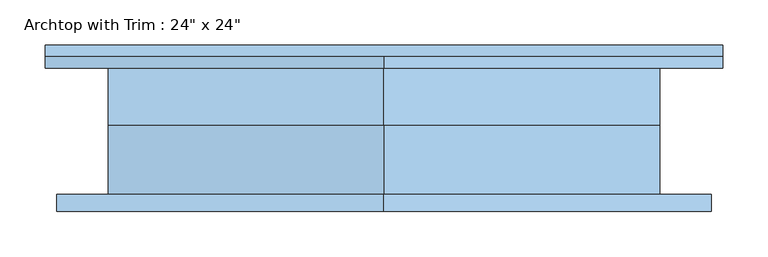
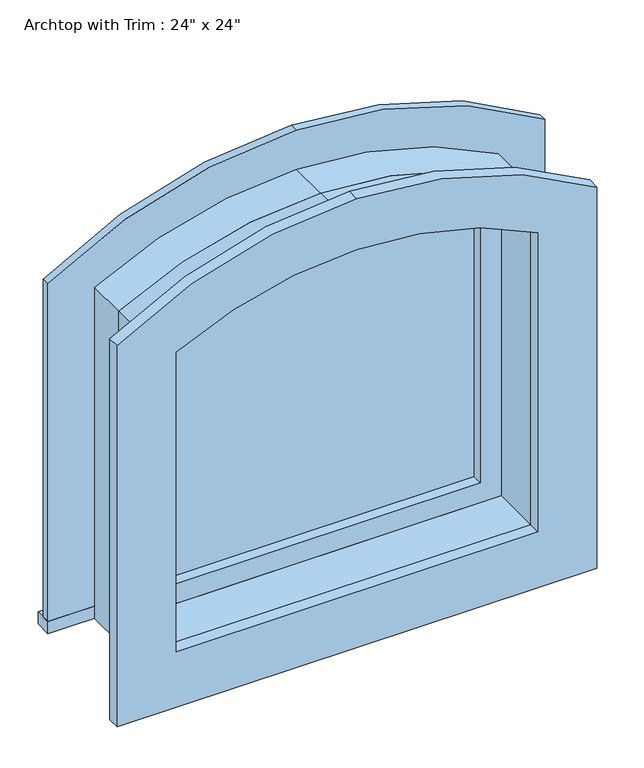
"""IFC4 building model written with IfcOpenShell, lengths in millimetres: window geometry."""

from ifc_helpers import new_model, si_unit, point, frame, frame_2d, origin, place, context, project, spatial, polyline, circle_curve, trimmed, segment, composite_curve, outline, extrude, source, transform, mapped, element, save


def window_a23963e3(model_context):
    return source(origin(), model_context, "Body", "SweptSolid", [
        extrude(outline(composite_curve([segment(polyline([(946.15, 297.730298), (1431.2135447, 297.730298)]), True, "CONTINUOUS"), segment(trimmed(circle_curve(frame_2d((914.4, 11.980298)), 590.55), [point((1431.2135447, 297.730298))], [point((1504.95, 11.980298))], False, "CARTESIAN"), True, "CONTINUOUS"), segment(trimmed(circle_curve(frame_2d((914.4, 11.980298)), 590.55), [point((1504.95, 11.980298))], [point((1431.2135448, -273.7697019))], False, "CARTESIAN"), True, "CONTINUOUS"), segment(polyline([(1431.2135448, -273.7697019), (946.15, -273.7697019), (946.15, 297.730298)]), True, "CONTINUOUS")], self_intersect=False), holes=[composite_curve([segment(polyline([(977.9, 253.280298), (977.9, -229.319702), (1407.8342262, -229.319702)]), True, "CONTINUOUS"), segment(trimmed(circle_curve(frame_2d((914.4, 11.980298)), 549.275), [point((1407.8342262, -229.319702))], [point((1463.675, 11.980298))], True, "CARTESIAN"), True, "CONTINUOUS"), segment(trimmed(circle_curve(frame_2d((914.4, 11.980298)), 549.275), [point((1463.675, 11.980298))], [point((1407.8342262, 253.280298))], True, "CARTESIAN"), True, "CONTINUOUS"), segment(polyline([(1407.8342262, 253.280298), (977.9, 253.280298)]), True, "CONTINUOUS")], self_intersect=False)]), frame((0.0, 6.35, 0.0), z_axis=(0.0, 1.0, 0.0), x_axis=(0.0, 0.0, 1.0)), (0.0, 0.0, 1.0), 44.45),
        extrude(outline(polyline([(-362.6697019, 95.25), (386.630298, 95.25), (386.630298, 69.85), (-362.6697019, 69.85), (-362.6697019, 95.25)])), frame((0.0, 0.0, 914.4), z_axis=(0.0, 0.0, 1.0), x_axis=(1.0, 0.0, 0.0)), (0.0, 0.0, 1.0), 19.05),
        extrude(outline(composite_curve([segment(polyline([(933.45, 297.7302979), (933.45, 386.630298), (1472.3420964, 386.630298)]), True, "CONTINUOUS"), segment(trimmed(circle_curve(frame_2d((914.4, 11.980298)), 672.0580373), [point((1472.3420964, 386.630298))], [point((1586.4580373, 11.980298))], False, "CARTESIAN"), True, "CONTINUOUS"), segment(trimmed(circle_curve(frame_2d((914.4, 11.980298)), 672.0580373), [point((1586.4580373, 11.980298))], [point((1472.3420965, -362.6697019))], False, "CARTESIAN"), True, "CONTINUOUS"), segment(polyline([(1472.3420965, -362.6697019), (933.45, -362.6697019), (933.45, -273.7697019), (1431.2135447, -273.7697019)]), True, "CONTINUOUS"), segment(trimmed(circle_curve(frame_2d((914.4, 11.980298)), 590.55), [point((1431.2135447, -273.7697019))], [point((1504.95, 11.980298))], True, "CARTESIAN"), True, "CONTINUOUS"), segment(trimmed(circle_curve(frame_2d((914.4, 11.980298)), 590.55), [point((1504.95, 11.980298))], [point((1431.2135448, 297.7302979))], True, "CARTESIAN"), True, "CONTINUOUS"), segment(polyline([(1431.2135448, 297.7302979), (933.45, 297.7302979)]), True, "CONTINUOUS")], self_intersect=False)), frame((0.0, 69.85, 0.0), z_axis=(0.0, 1.0, 0.0), x_axis=(0.0, 0.0, 1.0)), (0.0, 0.0, 1.0), 12.7),
        extrude(outline(composite_curve([segment(polyline([(857.25, -349.969702), (857.25, 373.9302979), (1465.1014713, 373.9302979)]), True, "CONTINUOUS"), segment(trimmed(circle_curve(frame_2d((914.4, 11.980298)), 658.9991752), [point((1465.1014713, 373.9302979))], [point((1573.3991752, 11.980298))], False, "CARTESIAN"), True, "CONTINUOUS"), segment(trimmed(circle_curve(frame_2d((914.4, 11.980298)), 658.9991752), [point((1573.3991752, 11.980298))], [point((1465.1014713, -349.969702))], False, "CARTESIAN"), True, "CONTINUOUS"), segment(polyline([(1465.1014713, -349.969702), (857.25, -349.969702)]), True, "CONTINUOUS")], self_intersect=False), holes=[composite_curve([segment(polyline([(946.15, -261.0697027), (1423.6684161, -261.0697027)]), True, "CONTINUOUS"), segment(trimmed(circle_curve(frame_2d((914.4, 11.980298)), 577.85), [point((1423.6684161, -261.0697027))], [point((1492.25, 11.980298))], True, "CARTESIAN"), True, "CONTINUOUS"), segment(trimmed(circle_curve(frame_2d((914.4000002, 11.980298)), 577.8499998), [point((1492.25, 11.980298))], [point((1423.6684161, 285.0302987))], True, "CARTESIAN"), True, "CONTINUOUS"), segment(polyline([(1423.6684161, 285.0302987), (946.15, 285.0302987), (946.15, -261.0697027)]), True, "CONTINUOUS")], self_intersect=False)]), frame((0.0, -88.9, 0.0), z_axis=(0.0, 1.0, 0.0), x_axis=(0.0, 0.0, 1.0)), (0.0, 0.0, 1.0), 19.05),
        extrude(outline(composite_curve([segment(polyline([(977.9, -229.3197017), (977.9, 253.2802981), (1408.1281367, 253.2802981)]), True, "CONTINUOUS"), segment(trimmed(circle_curve(frame_2d((914.4, 11.9802983)), 549.5390458), [point((1408.1281367, 253.2802981))], [point((1463.9390458, 11.9802983))], False, "CARTESIAN"), True, "CONTINUOUS"), segment(trimmed(circle_curve(frame_2d((914.4, 11.9802983)), 549.5390458), [point((1463.9390458, 11.9802983))], [point((1408.1281366, -229.3197017))], False, "CARTESIAN"), True, "CONTINUOUS"), segment(polyline([(1408.1281366, -229.3197017), (977.9, -229.3197017)]), True, "CONTINUOUS")], self_intersect=False)), frame((0.0, 22.225, 0.0), z_axis=(0.0, 1.0, 0.0), x_axis=(0.0, 0.0, 1.0)), (0.0, 0.0, 1.0), 12.7),
        extrude(outline(composite_curve([segment(polyline([(914.4, 316.780298), (1442.3290861, 316.780298)]), True, "CONTINUOUS"), segment(trimmed(circle_curve(frame_2d((914.4, 11.980298)), 609.6), [point((1442.3290861, 316.780298))], [point((1524.0, 11.980298))], False, "CARTESIAN"), True, "CONTINUOUS"), segment(trimmed(circle_curve(frame_2d((914.4, 11.980298)), 609.6), [point((1524.0, 11.980298))], [point((1442.3290861, -292.819702))], False, "CARTESIAN"), True, "CONTINUOUS"), segment(polyline([(1442.3290861, -292.819702), (914.4, -292.819702), (914.4, 316.780298)]), True, "CONTINUOUS")], self_intersect=False), holes=[composite_curve([segment(polyline([(946.15, 285.0302987), (946.15, -261.069702), (1427.2825062, -261.069702)]), True, "CONTINUOUS"), segment(trimmed(circle_curve(frame_2d((914.4, 11.980298)), 581.0376646), [point((1427.2825062, -261.069702))], [point((1495.4376646, 11.980298))], True, "CARTESIAN"), True, "CONTINUOUS"), segment(trimmed(circle_curve(frame_2d((914.4, 11.980298)), 581.0376646), [point((1495.4376646, 11.980298))], [point((1427.2825058, 285.0302987))], True, "CARTESIAN"), True, "CONTINUOUS"), segment(polyline([(1427.2825058, 285.0302987), (946.15, 285.0302987)]), True, "CONTINUOUS")], self_intersect=False)]), frame((0.0, -69.85, 0.0), z_axis=(0.0, 1.0, 0.0), x_axis=(0.0, 0.0, 1.0)), (0.0, 0.0, 1.0), 76.2),
        extrude(outline(composite_curve([segment(polyline([(914.4, -292.819702), (914.4, 316.780298), (1442.3290861, 316.780298)]), True, "CONTINUOUS"), segment(trimmed(circle_curve(frame_2d((914.4, 11.980298)), 609.6), [point((1442.3290861, 316.780298))], [point((1524.0, 11.980298))], False, "CARTESIAN"), True, "CONTINUOUS"), segment(trimmed(circle_curve(frame_2d((914.4, 11.980298)), 609.6), [point((1524.0, 11.980298))], [point((1442.3290861, -292.819702))], False, "CARTESIAN"), True, "CONTINUOUS"), segment(polyline([(1442.3290861, -292.819702), (914.4, -292.819702)]), True, "CONTINUOUS")], self_intersect=False), holes=[composite_curve([segment(polyline([(933.45, -273.7697019), (1433.3358634, -273.7697019)]), True, "CONTINUOUS"), segment(trimmed(circle_curve(frame_2d((914.4, 11.980298)), 592.4082147), [point((1433.3358634, -273.7697019))], [point((1506.8082147, 11.980298))], True, "CARTESIAN"), True, "CONTINUOUS"), segment(trimmed(circle_curve(frame_2d((914.4, 11.980298)), 592.4082147), [point((1506.8082147, 11.980298))], [point((1433.3358634, 297.730298))], True, "CARTESIAN"), True, "CONTINUOUS"), segment(polyline([(1433.3358634, 297.730298), (933.45, 297.730298), (933.45, -273.7697019)]), True, "CONTINUOUS")], self_intersect=False)]), frame((0.0, 6.35, 0.0), z_axis=(0.0, 1.0, 0.0), x_axis=(0.0, 0.0, 1.0)), (0.0, 0.0, 1.0), 63.5),
    ])


if __name__ == "__main__":
    model = new_model("IFC4")
    model_context = context("Model", 3, world=origin())
    ifc_project = project(units=[si_unit("LENGTHUNIT", "METRE", prefix="MILLI")], contexts=[model_context])
    site = spatial("IfcSite", under=ifc_project)
    building = spatial("IfcBuilding", under=site)
    placement = place(None, origin())
    window_shape = window_a23963e3(model_context)
    element("IfcWindow", 1, ObjectType="Archtop with Trim : 24\" x 24\"", at=placement, inside=building, context=model_context, shape_type="MappedRepresentation", body=[
        mapped(window_shape, transform((0.0, 0.0, 0.0), x_axis=(1.0, 0.0, 0.0), y_axis=(0.0, 1.0, 0.0), z_axis=(0.0, 0.0, 1.0))),
    ])
    save(model, "model.ifc")
